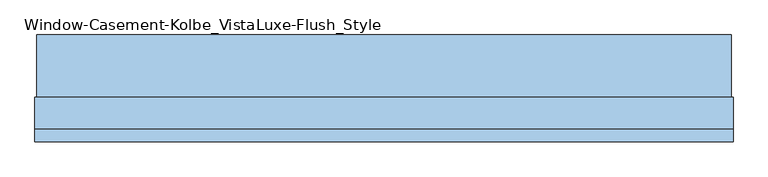
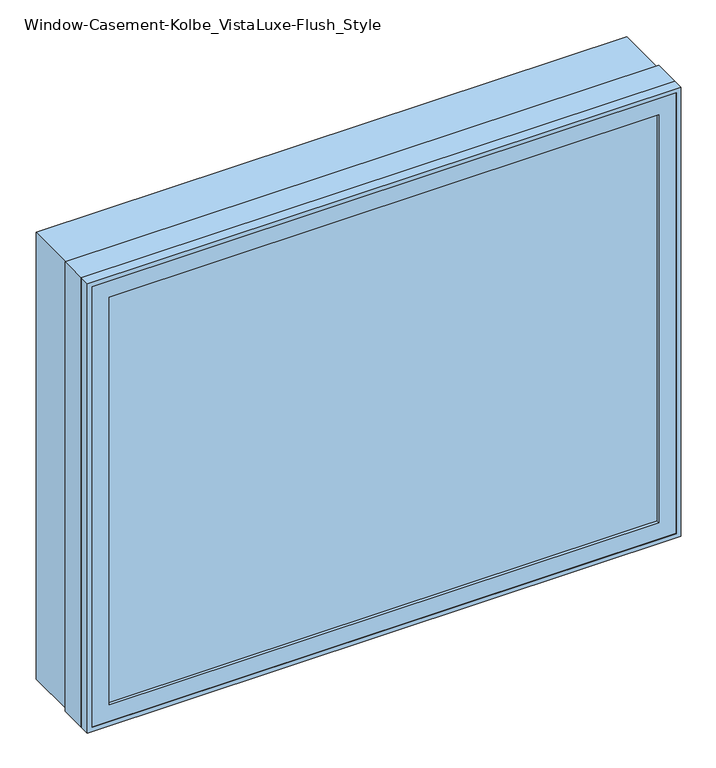
"""IFC4 building model written with IfcOpenShell, lengths in millimetres: window geometry, Window-Casement-Kolbe_VistaLuxe-Flush_Style."""

import ifcopenshell
import ifcopenshell.guid

model = None  # the IFC model being written
_history = None  # IfcOwnerHistory: only IFC2X3 demands one
_inside = {}  # id of a spatial element -> (the spatial element, [elements in it])
_under = {}  # id of a project, library or spatial element -> (it, [spatial elements below it])
_declared = {}  # id of a project -> (the project, [libraries it declares])
_typed = {}  # id of a type object -> (the type object, [elements of that type])
_made_of = {}  # id of a material, layer set ... -> (it, [elements and type objects made of it])


def new_model(schema):
    """Start an empty IFC model of exactly this schema.

    Asked for "IFC4X3", IfcOpenShell would pick the latest addendum, in which some entities
    have other attributes; the version numbers below select the first issue.
    IFC2X3 requires an IfcOwnerHistory on every rooted entity: one is made here for all.
    """
    global model, _history
    if schema == "IFC4X3":
        model = ifcopenshell.file(schema_version=(4, 3, 0, 0))
    else:
        model = ifcopenshell.file(schema=schema)
    _inside.clear()
    _under.clear()
    _declared.clear()
    _typed.clear()
    _made_of.clear()
    _history = None
    if model.schema == "IFC2X3":
        org = make("IfcOrganization", Name="unknown")
        user = make(
            "IfcPersonAndOrganization",
            ThePerson=make("IfcPerson", FamilyName="unknown"),
            TheOrganization=org,
        )
        app = make(
            "IfcApplication",
            ApplicationDeveloper=org,
            Version="unknown",
            ApplicationFullName="unknown",
            ApplicationIdentifier="unknown",
        )
        _history = make(
            "IfcOwnerHistory",
            OwningUser=user,
            OwningApplication=app,
            ChangeAction="ADDED",
            CreationDate=0,
        )
    return model


def make(cls, **values):
    """One entity of the class cls with the attributes given. An attribute that is None is left unset."""
    return model.create_entity(
        cls, **{name: value for name, value in values.items() if value is not None}
    )


def rooted(cls, **values):
    """An entity with a GlobalId (a new one), such as an element, a storey or a relation."""
    return make(cls, GlobalId=ifcopenshell.guid.new(), OwnerHistory=_history, **values)


def si_unit(unit_type, name, prefix=None):
    """IfcSIUnit, for example si_unit("LENGTHUNIT", "METRE", prefix="MILLI")."""
    return make("IfcSIUnit", UnitType=unit_type, Prefix=prefix, Name=name)


def assignment(units):
    """IfcUnitAssignment: the units of a project."""
    return None if units is None else make("IfcUnitAssignment", Units=units)


def point(xyz):
    """IfcCartesianPoint."""
    return None if xyz is None else make("IfcCartesianPoint", Coordinates=xyz)


def direction(xyz):
    """IfcDirection."""
    return None if xyz is None else make("IfcDirection", DirectionRatios=xyz)


def frame(location, z_axis=None, x_axis=None):
    """IfcAxis2Placement3D, a coordinate frame: its origin and axes. An axis left out is left unset."""
    return make(
        "IfcAxis2Placement3D",
        Location=point(location),
        Axis=direction(z_axis),
        RefDirection=direction(x_axis),
    )


def origin():
    """The frame at (0, 0, 0) with its axes left unset."""
    return frame((0.0, 0.0, 0.0))


def place(relative_to, where):
    """IfcLocalPlacement: puts the frame where relative to a parent placement (None: the world)."""
    return make(
        "IfcLocalPlacement", PlacementRelTo=relative_to, RelativePlacement=where
    )


def context(
    kind, dimensions, precision=None, world=None, true_north=None, identifier=None
):
    """IfcGeometricRepresentationContext, for example the 3D "Model" context."""
    return make(
        "IfcGeometricRepresentationContext",
        ContextIdentifier=identifier,
        ContextType=kind,
        CoordinateSpaceDimension=dimensions,
        Precision=precision,
        WorldCoordinateSystem=world,
        TrueNorth=true_north,
    )


def project(units=None, contexts=None):
    """IfcProject with its units and contexts."""
    return rooted(
        "IfcProject",
        Name="project",
        RepresentationContexts=contexts,
        UnitsInContext=assignment(units),
    )


def spatial(cls, under=None, at=None, **own):
    """A site, building, storey or space (cls), placed at a placement, below another one or the project."""
    s = rooted(cls, ObjectPlacement=at, **own)
    if under is not None:
        _under.setdefault(under.id(), (under, []))[1].append(s)
    return s


def polyline(points):
    """IfcPolyline through the points."""
    return make("IfcPolyline", Points=[point(p) for p in points])


def outline(outer, holes=None, kind="AREA"):
    """IfcArbitraryClosedProfileDef: a profile drawn as a closed curve; with holes, ...WithVoids."""
    if holes is None:
        return make("IfcArbitraryClosedProfileDef", ProfileType=kind, OuterCurve=outer)
    return make(
        "IfcArbitraryProfileDefWithVoids",
        ProfileType=kind,
        OuterCurve=outer,
        InnerCurves=holes,
    )


def extrude(swept, where, along, depth):
    """IfcExtrudedAreaSolid: the profile swept, set in the frame where, extruded along a direction by depth."""
    return make(
        "IfcExtrudedAreaSolid",
        SweptArea=swept,
        Position=where,
        ExtrudedDirection=direction(along),
        Depth=depth,
    )


def faces_of(points, faces, orient=None, outer=None):
    """IfcFace entities. A face is a list of loops; a loop is a list of indices into points, from 0.

    orient and outer hold one flag for each loop. By default every Orientation is true, the
    first loop of a face is its IfcFaceOuterBound and the others are IfcFaceBound.
    """
    made = []
    for i, loops in enumerate(faces):
        bounds = []
        for j, loop in enumerate(loops):
            is_outer = j == 0 if outer is None else outer[i][j]
            bounds.append(
                make(
                    "IfcFaceOuterBound" if is_outer else "IfcFaceBound",
                    Bound=make("IfcPolyLoop", Polygon=[points[k] for k in loop]),
                    Orientation=True if orient is None else orient[i][j],
                )
            )
        made.append(make("IfcFace", Bounds=bounds))
    return made


def faceted_brep(points, faces, orient=None, outer=None, voids=None):
    """IfcFacetedBrep: a solid bounded by flat faces; with voids (closed shells), ...WithVoids."""
    shared = [point(p) for p in points]
    hull = make("IfcClosedShell", CfsFaces=faces_of(shared, faces, orient, outer))
    if voids is None:
        return make("IfcFacetedBrep", Outer=hull)
    return make(
        "IfcFacetedBrepWithVoids",
        Outer=hull,
        Voids=[
            make(cls, CfsFaces=faces_of(shared, fs, o, b)) for cls, fs, o, b in voids
        ],
    )


def shape(context_of_items, identifier, shape_type, items):
    """IfcShapeRepresentation: the items that make up one representation, for example the "Body"."""
    return make(
        "IfcShapeRepresentation",
        ContextOfItems=context_of_items,
        RepresentationIdentifier=identifier,
        RepresentationType=shape_type,
        Items=items,
    )


def source(mapping_origin, context_of_items, identifier, shape_type, items):
    """IfcRepresentationMap: a shape defined once, which mapped items show again and again."""
    return make(
        "IfcRepresentationMap",
        MappingOrigin=mapping_origin,
        MappedRepresentation=shape(context_of_items, identifier, shape_type, items),
    )


def transform(
    local_origin,
    x_axis=None,
    y_axis=None,
    z_axis=None,
    scale=None,
    scale2=None,
    scale3=None,
    uniform=True,
):
    """IfcCartesianTransformationOperator3D, or its non-uniform kind. x_axis, y_axis, z_axis: its Axis1, 2, 3."""
    if uniform:
        return make(
            "IfcCartesianTransformationOperator3D",
            Axis1=direction(x_axis),
            Axis2=direction(y_axis),
            LocalOrigin=point(local_origin),
            Scale=scale,
            Axis3=direction(z_axis),
        )
    return make(
        "IfcCartesianTransformationOperator3DnonUniform",
        Axis1=direction(x_axis),
        Axis2=direction(y_axis),
        LocalOrigin=point(local_origin),
        Scale=scale,
        Axis3=direction(z_axis),
        Scale2=scale2,
        Scale3=scale3,
    )


def mapped(mapping_source, mapping_target):
    """IfcMappedItem: shows the shape of a source again, moved by a transform."""
    return make(
        "IfcMappedItem", MappingSource=mapping_source, MappingTarget=mapping_target
    )


def made_of(thing, what):
    """Note that an element or type object is made of a material, layer set ...; save() writes the relation."""
    if what is not None:
        _made_of.setdefault(what.id(), (what, []))[1].append(thing)
    return thing


def element(
    cls,
    number,
    at=None,
    inside=None,
    cuts=None,
    type_object=None,
    material=None,
    context=None,
    identifier="Body",
    shape_type=None,
    held_by="IfcProductDefinitionShape",
    body=None,
    shapes=None,
    **own,
):
    """One element of the class cls, such as IfcWall. Its Tag is "e" and its number.

    at: its placement. inside: the storey or other place that contains it. cuts: it is an
    opening in that element (IfcRelVoidsElement). A single representation is given by context,
    identifier, shape_type and body (its items); several are given by shapes. held_by: the class
    of the entity that holds the representations. save() writes the other relations.
    """
    e = rooted(cls, Tag="e%d" % number, ObjectPlacement=at, **own)
    if body is not None:
        shapes = [shape(context, identifier, shape_type, body)]
    if shapes is not None:
        e.Representation = make(held_by, Representations=shapes)
    if inside is not None:
        _inside.setdefault(inside.id(), (inside, []))[1].append(e)
    if cuts is not None:
        rooted(
            "IfcRelVoidsElement", RelatingBuildingElement=cuts, RelatedOpeningElement=e
        )
    if type_object is not None:
        _typed.setdefault(type_object.id(), (type_object, []))[1].append(e)
    return made_of(e, material)


def aggregate(whole, parts):
    """IfcRelAggregates: a whole, such as a stair, and the parts it consists of."""
    return rooted("IfcRelAggregates", RelatingObject=whole, RelatedObjects=parts)


def save(model, path):
    """Write the relations noted so far, then the file.

    IfcRelAggregates (storeys below a building ...), IfcRelContainedInSpatialStructure (elements
    in a storey), IfcRelDefinesByType, IfcRelAssociatesMaterial and IfcRelDeclares: one each for
    every whole, place, type object, material and project.
    """
    for whole, parts in _under.values():
        aggregate(whole, parts)
    for where, things in _inside.values():
        rooted(
            "IfcRelContainedInSpatialStructure",
            RelatedElements=things,
            RelatingStructure=where,
        )
    for kind, things in _typed.values():
        rooted("IfcRelDefinesByType", RelatedObjects=things, RelatingType=kind)
    for what, things in _made_of.values():
        rooted("IfcRelAssociatesMaterial", RelatedObjects=things, RelatingMaterial=what)
    for by, libraries in _declared.values():
        rooted("IfcRelDeclares", RelatingContext=by, RelatedDefinitions=libraries)
    model.write(path)


def window_casement_kolbe_vistaluxe_flush_style_9f5115f2(model_context):
    return source(origin(), model_context, "Body", "SolidModel", [
        faceted_brep([(-711.2696599, -121.37898, 970.676875), (-711.2696599, -129.31648, 970.676875), (700.1765901, -129.31648, 970.676875), (700.1765901, -121.37898, 970.676875), (-727.1446599, -99.12858, 954.801875), (-727.1446599, -121.37898, 954.801875), (716.0515901, -121.37898, 954.801875), (716.0515901, -99.12858, 954.801875), (-711.2696599, -80.10398, 970.676875), (-711.2696599, -99.12858, 970.676875), (700.1765901, -99.12858, 970.676875), (700.1765901, -80.10398, 970.676875), (-755.7196599, -129.31648, 926.226875), (-755.7196599, -80.10398, 926.226875), (744.6265901, -80.10398, 926.226875), (744.6265901, -129.31648, 926.226875), (700.1765901, -129.31648, 2077.323125), (700.1765901, -121.37898, 2077.323125), (716.0515901, -121.37898, 2093.198125), (716.0515901, -99.12858, 2093.198125), (700.1765901, -99.12858, 2077.323125), (700.1765901, -80.10398, 2077.323125), (744.6265901, -80.10398, 2121.773125), (744.6265901, -129.31648, 2121.773125), (-711.2696599, -129.31648, 2077.323125), (-711.2696599, -121.37898, 2077.323125), (-727.1446599, -121.37898, 2093.198125), (-727.1446599, -99.12858, 2093.198125), (-711.2696599, -99.12858, 2077.323125), (-711.2696599, -80.10398, 2077.323125), (-755.7196599, -80.10398, 2121.773125), (-755.7196599, -129.31648, 2121.773125)], [[[0, 1, 2, 3]], [[4, 5, 6, 7]], [[8, 9, 10, 11]], [[12, 13, 14, 15]], [[3, 2, 16, 17]], [[7, 6, 18, 19]], [[11, 10, 20, 21]], [[15, 14, 22, 23]], [[17, 16, 24, 25]], [[19, 18, 26, 27]], [[21, 20, 28, 29]], [[23, 22, 30, 31]], [[25, 24, 1, 0]], [[5, 26, 18, 6], [3, 17, 25, 0]], [[27, 26, 5, 4]], [[7, 19, 27, 4], [9, 28, 20, 10]], [[29, 28, 9, 8]], [[13, 30, 22, 14], [11, 21, 29, 8]], [[31, 30, 13, 12]], [[15, 23, 31, 12], [1, 24, 16, 2]]]),
        extrude(outline(polyline([(2130.0186, 752.8720651), (2130.0186, -763.9651349), (917.9814, -763.9651349), (917.9814, 752.8720651), (2130.0186, 752.8720651)]), holes=[polyline([(936.545625, 734.3078401), (936.545625, -745.4009099), (2111.454375, -745.4009099), (2111.454375, 734.3078401), (936.545625, 734.3078401)])]), frame((0.0, -32.5247, 0.0), z_axis=(0.0, 1.0, 0.0), x_axis=(0.0, 0.0, 1.0)), (0.0, 0.0, 1.0), 135.7122),
        extrude(outline(polyline([(2133.6, -767.5465349), (914.4, -767.5465349), (914.4, 756.4534651), (2133.6, 756.4534651), (2133.6, -767.5465349)]), holes=[polyline([(2121.773125, 744.6265901), (926.226875, 744.6265901), (926.226875, -755.7196599), (2121.773125, -755.7196599), (2121.773125, 744.6265901)])]), frame((0.0, -130.1115, 0.0), z_axis=(0.0, 1.0, 0.0), x_axis=(0.0, 0.0, 1.0)), (0.0, 0.0, 1.0), 26.924),
        faceted_brep([(756.4534651, -32.5247, 914.4), (756.4534651, -103.1875, 914.4), (-767.5465349, -103.1875, 914.4), (-767.5465349, -32.5247, 914.4), (734.3078401, -80.10525, 936.545625), (734.3078401, -32.5247, 936.545625), (-745.4009099, -32.5247, 936.545625), (-745.4009099, -80.10525, 936.545625), (744.6265901, -103.1875, 926.226875), (744.6265901, -80.10525, 926.226875), (-755.7196599, -80.10525, 926.226875), (-755.7196599, -103.1875, 926.226875), (-767.5465349, -103.1875, 2133.6), (-767.5465349, -32.5247, 2133.6), (-745.4009099, -32.5247, 2111.454375), (-745.4009099, -80.10525, 2111.454375), (-755.7196599, -80.10525, 2121.773125), (-755.7196599, -103.1875, 2121.773125), (756.4534651, -103.1875, 2133.6), (756.4534651, -32.5247, 2133.6), (734.3078401, -32.5247, 2111.454375), (734.3078401, -80.10525, 2111.454375), (744.6265901, -80.10525, 2121.773125), (744.6265901, -103.1875, 2121.773125)], [[[0, 1, 2, 3]], [[4, 5, 6, 7]], [[8, 9, 10, 11]], [[3, 2, 12, 13]], [[7, 6, 14, 15]], [[11, 10, 16, 17]], [[13, 12, 18, 19]], [[15, 14, 20, 21]], [[17, 16, 22, 23]], [[19, 18, 1, 0]], [[3, 13, 19, 0], [5, 20, 14, 6]], [[21, 20, 5, 4]], [[9, 22, 16, 10], [7, 15, 21, 4]], [[23, 22, 9, 8]], [[1, 18, 12, 2], [11, 17, 23, 8]]]),
        extrude(outline(polyline([(712.8765901, -102.30358), (-723.9696599, -102.30358), (-723.9696599, -99.12858), (712.8765901, -99.12858), (712.8765901, -102.30358)])), frame((0.0, 0.0, 957.976875), z_axis=(0.0, 0.0, 1.0), x_axis=(1.0, 0.0, 0.0)), (0.0, 0.0, 1.0), 1132.04625),
        extrude(outline(polyline([(712.8765901, -118.20398), (712.8765901, -121.37898), (-723.9696599, -121.37898), (-723.9696599, -118.20398), (712.8765901, -118.20398)])), frame((0.0, 0.0, 957.976875), z_axis=(0.0, 0.0, 1.0), x_axis=(1.0, 0.0, 0.0)), (0.0, 0.0, 1.0), 1132.04625),
        extrude(outline(polyline([(936.545625, 734.3078401), (2111.454375, 734.3078401), (2111.454375, -745.4009099), (936.545625, -745.4009099), (936.545625, 734.3078401)]), holes=[polyline([(954.801875, -727.1446599), (2093.198125, -727.1446599), (2093.198125, 716.0515901), (954.801875, 716.0515901), (954.801875, -727.1446599)])]), frame((0.0, -80.10525, 0.0), z_axis=(0.0, 1.0, 0.0), x_axis=(0.0, 0.0, 1.0)), (0.0, 0.0, 1.0), 50.8),
    ])


if __name__ == "__main__":
    model = new_model("IFC4")
    model_context = context("Model", 3, world=origin())
    ifc_project = project(units=[si_unit("LENGTHUNIT", "METRE", prefix="MILLI")], contexts=[model_context])
    site = spatial("IfcSite", under=ifc_project)
    building = spatial("IfcBuilding", under=site)
    placement = place(None, origin())
    window_casement_kolbe_vistaluxe_flush_style_shape = window_casement_kolbe_vistaluxe_flush_style_9f5115f2(model_context)
    element("IfcWindow", 1, ObjectType="Window-Casement-Kolbe_VistaLuxe-Flush_Style", at=placement, inside=building, context=model_context, shape_type="MappedRepresentation", body=[
        mapped(window_casement_kolbe_vistaluxe_flush_style_shape, transform((0.0, 0.0, 0.0), x_axis=(1.0, 0.0, 0.0), y_axis=(0.0, 1.0, 0.0), z_axis=(0.0, 0.0, 1.0))),
    ])
    save(model, "model.ifc")
